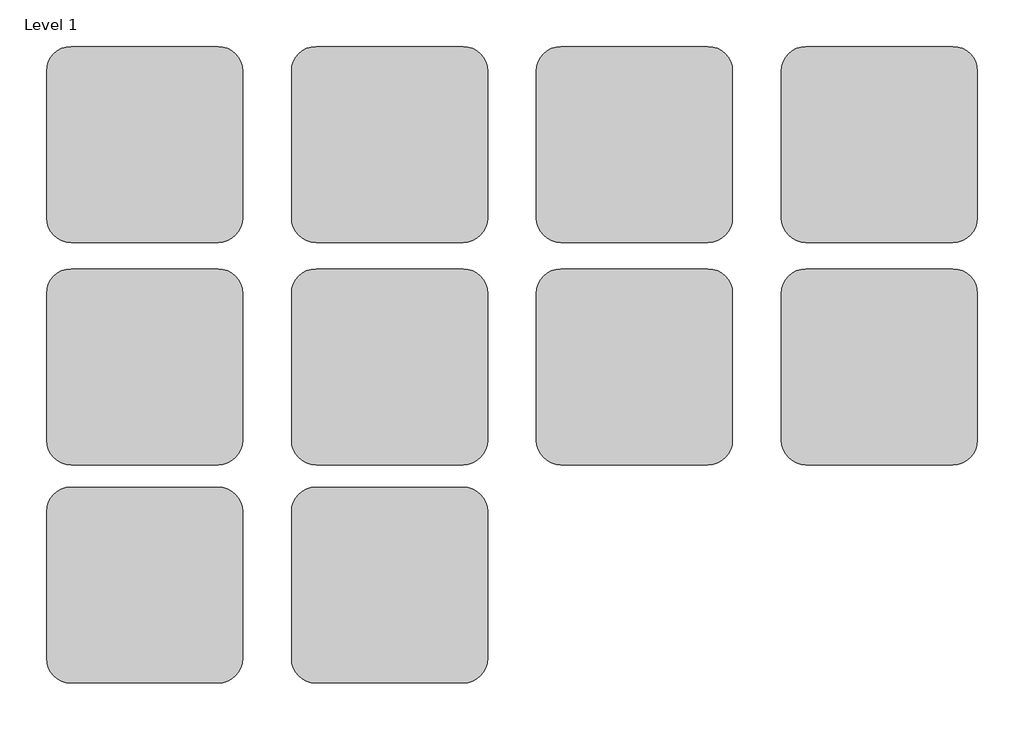
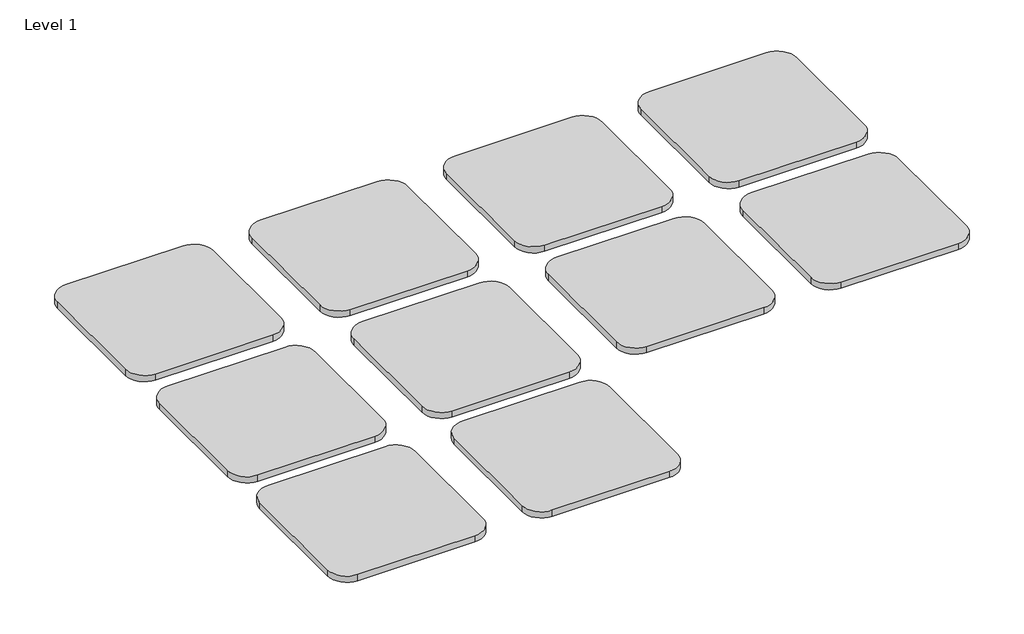
# One storey: 10 proxies.
"""IFC4 building model written with IfcOpenShell, lengths in millimetres."""

import ifcopenshell
import ifcopenshell.guid

model = None  # the IFC model being written
_history = None  # IfcOwnerHistory: only IFC2X3 demands one
_inside = {}  # id of a spatial element -> (the spatial element, [elements in it])
_under = {}  # id of a project, library or spatial element -> (it, [spatial elements below it])
_declared = {}  # id of a project -> (the project, [libraries it declares])
_typed = {}  # id of a type object -> (the type object, [elements of that type])
_made_of = {}  # id of a material, layer set ... -> (it, [elements and type objects made of it])


def new_model(schema):
    """Start an empty IFC model of exactly this schema.

    Asked for "IFC4X3", IfcOpenShell would pick the latest addendum, in which some entities
    have other attributes; the version numbers below select the first issue.
    IFC2X3 requires an IfcOwnerHistory on every rooted entity: one is made here for all.
    """
    global model, _history
    if schema == "IFC4X3":
        model = ifcopenshell.file(schema_version=(4, 3, 0, 0))
    else:
        model = ifcopenshell.file(schema=schema)
    _inside.clear()
    _under.clear()
    _declared.clear()
    _typed.clear()
    _made_of.clear()
    _history = None
    if model.schema == "IFC2X3":
        org = make("IfcOrganization", Name="unknown")
        user = make(
            "IfcPersonAndOrganization",
            ThePerson=make("IfcPerson", FamilyName="unknown"),
            TheOrganization=org,
        )
        app = make(
            "IfcApplication",
            ApplicationDeveloper=org,
            Version="unknown",
            ApplicationFullName="unknown",
            ApplicationIdentifier="unknown",
        )
        _history = make(
            "IfcOwnerHistory",
            OwningUser=user,
            OwningApplication=app,
            ChangeAction="ADDED",
            CreationDate=0,
        )
    return model


def make(cls, **values):
    """One entity of the class cls with the attributes given. An attribute that is None is left unset."""
    return model.create_entity(
        cls, **{name: value for name, value in values.items() if value is not None}
    )


def rooted(cls, **values):
    """An entity with a GlobalId (a new one), such as an element, a storey or a relation."""
    return make(cls, GlobalId=ifcopenshell.guid.new(), OwnerHistory=_history, **values)


def si_unit(unit_type, name, prefix=None):
    """IfcSIUnit, for example si_unit("LENGTHUNIT", "METRE", prefix="MILLI")."""
    return make("IfcSIUnit", UnitType=unit_type, Prefix=prefix, Name=name)


def assignment(units):
    """IfcUnitAssignment: the units of a project."""
    return None if units is None else make("IfcUnitAssignment", Units=units)


def point(xyz):
    """IfcCartesianPoint."""
    return None if xyz is None else make("IfcCartesianPoint", Coordinates=xyz)


def direction(xyz):
    """IfcDirection."""
    return None if xyz is None else make("IfcDirection", DirectionRatios=xyz)


def frame(location, z_axis=None, x_axis=None):
    """IfcAxis2Placement3D, a coordinate frame: its origin and axes. An axis left out is left unset."""
    return make(
        "IfcAxis2Placement3D",
        Location=point(location),
        Axis=direction(z_axis),
        RefDirection=direction(x_axis),
    )


def frame_2d(location, x_axis=None):
    """IfcAxis2Placement2D, a coordinate frame in the plane: its origin and x axis."""
    return make(
        "IfcAxis2Placement2D", Location=point(location), RefDirection=direction(x_axis)
    )


def origin():
    """The frame at (0, 0, 0) with its axes left unset."""
    return frame((0.0, 0.0, 0.0))


def origin_with_axes():
    """The frame at (0, 0, 0) with the z axis (0, 0, 1) and the x axis (1, 0, 0) written out."""
    return frame((0.0, 0.0, 0.0), z_axis=(0.0, 0.0, 1.0), x_axis=(1.0, 0.0, 0.0))


def place(relative_to, where):
    """IfcLocalPlacement: puts the frame where relative to a parent placement (None: the world)."""
    return make(
        "IfcLocalPlacement", PlacementRelTo=relative_to, RelativePlacement=where
    )


def context(
    kind, dimensions, precision=None, world=None, true_north=None, identifier=None
):
    """IfcGeometricRepresentationContext, for example the 3D "Model" context."""
    return make(
        "IfcGeometricRepresentationContext",
        ContextIdentifier=identifier,
        ContextType=kind,
        CoordinateSpaceDimension=dimensions,
        Precision=precision,
        WorldCoordinateSystem=world,
        TrueNorth=true_north,
    )


def project(units=None, contexts=None):
    """IfcProject with its units and contexts."""
    return rooted(
        "IfcProject",
        Name="project",
        RepresentationContexts=contexts,
        UnitsInContext=assignment(units),
    )


def spatial(cls, under=None, at=None, **own):
    """A site, building, storey or space (cls), placed at a placement, below another one or the project."""
    s = rooted(cls, ObjectPlacement=at, **own)
    if under is not None:
        _under.setdefault(under.id(), (under, []))[1].append(s)
    return s


def polyline(points):
    """IfcPolyline through the points."""
    return make("IfcPolyline", Points=[point(p) for p in points])


def circle_curve(where, radius):
    """IfcCircle in the frame where."""
    return make("IfcCircle", Position=where, Radius=radius)


def trimmed(basis, trim1, trim2, sense, master):
    """IfcTrimmedCurve: the piece of a basis curve between two trims."""
    return make(
        "IfcTrimmedCurve",
        BasisCurve=basis,
        Trim1=trim1,
        Trim2=trim2,
        SenseAgreement=sense,
        MasterRepresentation=master,
    )


def segment(curve, same_sense, transition):
    """IfcCompositeCurveSegment."""
    return make(
        "IfcCompositeCurveSegment",
        Transition=transition,
        SameSense=same_sense,
        ParentCurve=curve,
    )


def composite_curve(segments, self_intersect=None):
    """IfcCompositeCurve: segments joined end to end."""
    return make("IfcCompositeCurve", Segments=segments, SelfIntersect=self_intersect)


def outline(outer, holes=None, kind="AREA"):
    """IfcArbitraryClosedProfileDef: a profile drawn as a closed curve; with holes, ...WithVoids."""
    if holes is None:
        return make("IfcArbitraryClosedProfileDef", ProfileType=kind, OuterCurve=outer)
    return make(
        "IfcArbitraryProfileDefWithVoids",
        ProfileType=kind,
        OuterCurve=outer,
        InnerCurves=holes,
    )


def extrude(swept, where, along, depth):
    """IfcExtrudedAreaSolid: the profile swept, set in the frame where, extruded along a direction by depth."""
    return make(
        "IfcExtrudedAreaSolid",
        SweptArea=swept,
        Position=where,
        ExtrudedDirection=direction(along),
        Depth=depth,
    )


def shape(context_of_items, identifier, shape_type, items):
    """IfcShapeRepresentation: the items that make up one representation, for example the "Body"."""
    return make(
        "IfcShapeRepresentation",
        ContextOfItems=context_of_items,
        RepresentationIdentifier=identifier,
        RepresentationType=shape_type,
        Items=items,
    )


def source(mapping_origin, context_of_items, identifier, shape_type, items):
    """IfcRepresentationMap: a shape defined once, which mapped items show again and again."""
    return make(
        "IfcRepresentationMap",
        MappingOrigin=mapping_origin,
        MappedRepresentation=shape(context_of_items, identifier, shape_type, items),
    )


def transform(
    local_origin,
    x_axis=None,
    y_axis=None,
    z_axis=None,
    scale=None,
    scale2=None,
    scale3=None,
    uniform=True,
):
    """IfcCartesianTransformationOperator3D, or its non-uniform kind. x_axis, y_axis, z_axis: its Axis1, 2, 3."""
    if uniform:
        return make(
            "IfcCartesianTransformationOperator3D",
            Axis1=direction(x_axis),
            Axis2=direction(y_axis),
            LocalOrigin=point(local_origin),
            Scale=scale,
            Axis3=direction(z_axis),
        )
    return make(
        "IfcCartesianTransformationOperator3DnonUniform",
        Axis1=direction(x_axis),
        Axis2=direction(y_axis),
        LocalOrigin=point(local_origin),
        Scale=scale,
        Axis3=direction(z_axis),
        Scale2=scale2,
        Scale3=scale3,
    )


def mapped(mapping_source, mapping_target):
    """IfcMappedItem: shows the shape of a source again, moved by a transform."""
    return make(
        "IfcMappedItem", MappingSource=mapping_source, MappingTarget=mapping_target
    )


def made_of(thing, what):
    """Note that an element or type object is made of a material, layer set ...; save() writes the relation."""
    if what is not None:
        _made_of.setdefault(what.id(), (what, []))[1].append(thing)
    return thing


def element(
    cls,
    number,
    at=None,
    inside=None,
    cuts=None,
    type_object=None,
    material=None,
    context=None,
    identifier="Body",
    shape_type=None,
    held_by="IfcProductDefinitionShape",
    body=None,
    shapes=None,
    **own,
):
    """One element of the class cls, such as IfcWall. Its Tag is "e" and its number.

    at: its placement. inside: the storey or other place that contains it. cuts: it is an
    opening in that element (IfcRelVoidsElement). A single representation is given by context,
    identifier, shape_type and body (its items); several are given by shapes. held_by: the class
    of the entity that holds the representations. save() writes the other relations.
    """
    e = rooted(cls, Tag="e%d" % number, ObjectPlacement=at, **own)
    if body is not None:
        shapes = [shape(context, identifier, shape_type, body)]
    if shapes is not None:
        e.Representation = make(held_by, Representations=shapes)
    if inside is not None:
        _inside.setdefault(inside.id(), (inside, []))[1].append(e)
    if cuts is not None:
        rooted(
            "IfcRelVoidsElement", RelatingBuildingElement=cuts, RelatedOpeningElement=e
        )
    if type_object is not None:
        _typed.setdefault(type_object.id(), (type_object, []))[1].append(e)
    return made_of(e, material)


def aggregate(whole, parts):
    """IfcRelAggregates: a whole, such as a stair, and the parts it consists of."""
    return rooted("IfcRelAggregates", RelatingObject=whole, RelatedObjects=parts)


def save(model, path):
    """Write the relations noted so far, then the file.

    IfcRelAggregates (storeys below a building ...), IfcRelContainedInSpatialStructure (elements
    in a storey), IfcRelDefinesByType, IfcRelAssociatesMaterial and IfcRelDeclares: one each for
    every whole, place, type object, material and project.
    """
    for whole, parts in _under.values():
        aggregate(whole, parts)
    for where, things in _inside.values():
        rooted(
            "IfcRelContainedInSpatialStructure",
            RelatedElements=things,
            RelatingStructure=where,
        )
    for kind, things in _typed.values():
        rooted("IfcRelDefinesByType", RelatedObjects=things, RelatingType=kind)
    for what, things in _made_of.values():
        rooted("IfcRelAssociatesMaterial", RelatedObjects=things, RelatingMaterial=what)
    for by, libraries in _declared.values():
        rooted("IfcRelDeclares", RelatingContext=by, RelatedDefinitions=libraries)
    model.write(path)


def materialsample_type_1_9638d12c(model_context):
    return source(origin(), model_context, "Body", "SweptSolid", [
        extrude(outline(composite_curve([segment(polyline([(533.4, 0.0), (76.2, 0.0)]), True, "CONTINUOUS"), segment(trimmed(circle_curve(frame_2d((76.2, 76.2)), 76.2), [point((76.2, 0.0))], [point((0.0, 76.2))], False, "CARTESIAN"), True, "CONTINUOUS"), segment(polyline([(0.0, 76.2), (0.0, 533.4)]), True, "CONTINUOUS"), segment(trimmed(circle_curve(frame_2d((76.2, 533.4)), 76.2), [point((0.0, 533.4))], [point((76.2, 609.6))], False, "CARTESIAN"), True, "CONTINUOUS"), segment(polyline([(76.2, 609.6), (533.4, 609.6)]), True, "CONTINUOUS"), segment(trimmed(circle_curve(frame_2d((533.4, 533.4)), 76.2), [point((533.4, 609.6))], [point((609.6, 533.4))], False, "CARTESIAN"), True, "CONTINUOUS"), segment(polyline([(609.6, 533.4), (609.6, 76.2)]), True, "CONTINUOUS"), segment(trimmed(circle_curve(frame_2d((533.4, 76.2)), 76.2), [point((609.6, 76.2))], [point((533.4, 0.0))], False, "CARTESIAN"), True, "CONTINUOUS")], self_intersect=False)), origin_with_axes(), (0.0, 0.0, 1.0), 25.4),
    ])


model = new_model("IFC4")

# Units and contexts
model_context = context("Model", 3, world=origin())
ifc_project = project(units=[si_unit("LENGTHUNIT", "METRE", prefix="MILLI")], contexts=[model_context])

# Site, building, storey
site = spatial("IfcSite", under=ifc_project)
building = spatial("IfcBuilding", under=site)
storey = spatial("IfcBuildingStorey", under=building, Name="Level 1", Elevation=0.0)

# Proxies
placement = place(None, origin())
materialsample_type_1_shape = materialsample_type_1_9638d12c(model_context)
element("IfcBuildingElementProxy", 1, Name="MaterialSample : Type 1", ObjectType="MaterialSample : Type 1", at=placement, inside=storey, context=model_context, shape_type="MappedRepresentation", body=[
    mapped(materialsample_type_1_shape, transform((315.6641243, 1444.770415, 0.0), x_axis=(1.0, 0.0, 0.0), y_axis=(0.0, 1.0, 0.0), z_axis=(0.0, 0.0, 1.0))),
])
element("IfcBuildingElementProxy", 2, Name="MaterialSample : Type 1", ObjectType="MaterialSample : Type 1", at=placement, inside=storey, context=model_context, shape_type="MappedRepresentation", body=[
    mapped(materialsample_type_1_shape, transform((1077.6641243, 1444.770415, 0.0), x_axis=(1.0, 0.0, 0.0), y_axis=(0.0, 1.0, 0.0), z_axis=(0.0, 0.0, 1.0))),
])
element("IfcBuildingElementProxy", 3, Name="MaterialSample : Type 1", ObjectType="MaterialSample : Type 1", at=placement, inside=storey, context=model_context, shape_type="MappedRepresentation", body=[
    mapped(materialsample_type_1_shape, transform((1839.6641243, 1444.770415, 0.0), x_axis=(1.0, 0.0, 0.0), y_axis=(0.0, 1.0, 0.0), z_axis=(0.0, 0.0, 1.0))),
])
element("IfcBuildingElementProxy", 4, Name="MaterialSample : Type 1", ObjectType="MaterialSample : Type 1", at=placement, inside=storey, context=model_context, shape_type="MappedRepresentation", body=[
    mapped(materialsample_type_1_shape, transform((2601.6641243, 1444.770415, 0.0), x_axis=(1.0, 0.0, 0.0), y_axis=(0.0, 1.0, 0.0), z_axis=(0.0, 0.0, 1.0))),
])
element("IfcBuildingElementProxy", 5, Name="MaterialSample : Type 1", ObjectType="MaterialSample : Type 1", at=placement, inside=storey, context=model_context, shape_type="MappedRepresentation", body=[
    mapped(materialsample_type_1_shape, transform((315.6641243, 752.620415, 0.0), x_axis=(1.0, 0.0, 0.0), y_axis=(0.0, 1.0, 0.0), z_axis=(0.0, 0.0, 1.0))),
])
element("IfcBuildingElementProxy", 6, Name="MaterialSample : Type 1", ObjectType="MaterialSample : Type 1", at=placement, inside=storey, context=model_context, shape_type="MappedRepresentation", body=[
    mapped(materialsample_type_1_shape, transform((1077.6641243, 752.620415, 0.0), x_axis=(1.0, 0.0, 0.0), y_axis=(0.0, 1.0, 0.0), z_axis=(0.0, 0.0, 1.0))),
])
element("IfcBuildingElementProxy", 7, Name="MaterialSample : Type 1", ObjectType="MaterialSample : Type 1", at=placement, inside=storey, context=model_context, shape_type="MappedRepresentation", body=[
    mapped(materialsample_type_1_shape, transform((1839.6641243, 752.620415, 0.0), x_axis=(1.0, 0.0, 0.0), y_axis=(0.0, 1.0, 0.0), z_axis=(0.0, 0.0, 1.0))),
])
element("IfcBuildingElementProxy", 8, Name="MaterialSample : Type 1", ObjectType="MaterialSample : Type 1", at=placement, inside=storey, context=model_context, shape_type="MappedRepresentation", body=[
    mapped(materialsample_type_1_shape, transform((2601.6641243, 752.620415, 0.0), x_axis=(1.0, 0.0, 0.0), y_axis=(0.0, 1.0, 0.0), z_axis=(0.0, 0.0, 1.0))),
])
element("IfcBuildingElementProxy", 9, Name="MaterialSample : Type 1", ObjectType="MaterialSample : Type 1", at=placement, inside=storey, context=model_context, shape_type="MappedRepresentation", body=[
    mapped(materialsample_type_1_shape, transform((315.6641243, 73.170415, 0.0), x_axis=(1.0, 0.0, 0.0), y_axis=(0.0, 1.0, 0.0), z_axis=(0.0, 0.0, 1.0))),
])
element("IfcBuildingElementProxy", 10, Name="MaterialSample : Type 1", ObjectType="MaterialSample : Type 1", at=placement, inside=storey, context=model_context, shape_type="MappedRepresentation", body=[
    mapped(materialsample_type_1_shape, transform((1077.6641243, 73.170415, 0.0), x_axis=(1.0, 0.0, 0.0), y_axis=(0.0, 1.0, 0.0), z_axis=(0.0, 0.0, 1.0))),
])

save(model, "model.ifc")
